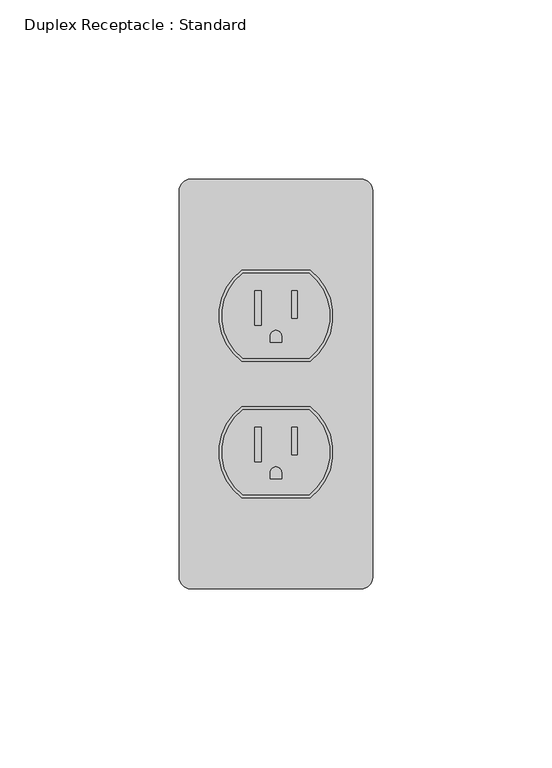
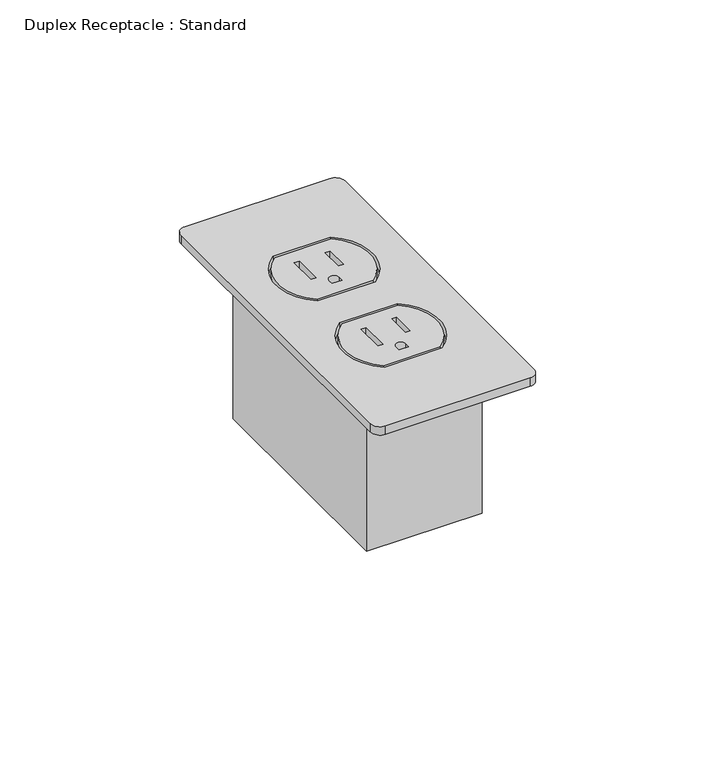
"""IFC4 building model written with IfcOpenShell, lengths in millimetres: proxy geometry, Duplex Receptacle : Standard."""

from ifc_helpers import new_model, si_unit, point, frame, frame_2d, origin, origin_with_axes, place, context, project, spatial, polyline, circle_curve, trimmed, segment, composite_curve, outline, extrude, source, transform, mapped, element, save


def duplex_receptacle_standard_c2ca504c(model_context):
    return source(origin(), model_context, "Body", "SweptSolid", [
        extrude(outline(polyline([(19.05, 38.1), (19.05, -38.1), (-19.05, -38.1), (-19.05, 38.1), (19.05, 38.1)])), frame((0.0, 0.0, -53.975), z_axis=(0.0, 0.0, 1.0), x_axis=(1.0, 0.0, 0.0)), (0.0, 0.0, 1.0), 53.975),
        extrude(outline(composite_curve([segment(trimmed(circle_curve(frame_2d((0.0, 19.05)), 15.08125), [point((9.2566361, 30.95625))], [point((9.2566361, 7.14375))], False, "CARTESIAN"), True, "CONTINUOUS"), segment(polyline([(9.2566361, 7.14375), (-9.2566361, 7.14375)]), True, "CONTINUOUS"), segment(trimmed(circle_curve(frame_2d((0.0, 19.05)), 15.08125), [point((-9.2566361, 7.14375))], [point((-9.2566361, 30.95625))], False, "CARTESIAN"), True, "CONTINUOUS"), segment(polyline([(-9.2566361, 30.95625), (9.2566361, 30.95625)]), True, "CONTINUOUS")], self_intersect=False), holes=[polyline([(-4.1419571, 25.9664222), (-5.8300041, 25.9664222), (-5.8300041, 16.4519754), (-4.1419571, 16.4519754), (-4.1419571, 25.9664222)]), polyline([(5.9095955, 25.9664222), (4.3750073, 25.9664222), (4.3750073, 18.2934812), (5.9095955, 18.2934812), (5.9095955, 25.9664222)]), composite_curve([segment(polyline([(1.5875, 11.698511), (1.5875, 13.3770264)]), True, "CONTINUOUS"), segment(trimmed(circle_curve(frame_2d((0.0, 13.3770264)), 1.5875), [point((1.5875, 13.3770264))], [point((-1.5875, 13.3770264))], True, "CARTESIAN"), True, "CONTINUOUS"), segment(polyline([(-1.5875, 13.3770264), (-1.5875, 11.698511), (1.5875, 11.698511)]), True, "CONTINUOUS")], self_intersect=False)]), origin_with_axes(), (0.0, 0.0, 1.0), 2.9176759),
        extrude(outline(composite_curve([segment(trimmed(circle_curve(frame_2d((0.0, -19.05)), 15.08125), [point((9.2566361, -7.14375))], [point((9.2566361, -30.95625))], False, "CARTESIAN"), True, "CONTINUOUS"), segment(polyline([(9.2566361, -30.95625), (-9.2566361, -30.95625)]), True, "CONTINUOUS"), segment(trimmed(circle_curve(frame_2d((0.0, -19.05)), 15.08125), [point((-9.2566361, -30.95625))], [point((-9.2566361, -7.14375))], False, "CARTESIAN"), True, "CONTINUOUS"), segment(polyline([(-9.2566361, -7.14375), (9.2566361, -7.14375)]), True, "CONTINUOUS")], self_intersect=False), holes=[polyline([(-4.1419571, -12.1335778), (-5.8300041, -12.1335778), (-5.8300041, -21.6480246), (-4.1419571, -21.6480246), (-4.1419571, -12.1335778)]), polyline([(5.9095955, -12.1335778), (4.3750073, -12.1335778), (4.3750073, -19.8065188), (5.9095955, -19.8065188), (5.9095955, -12.1335778)]), composite_curve([segment(polyline([(1.5875, -26.401489), (1.5875, -24.7229736)]), True, "CONTINUOUS"), segment(trimmed(circle_curve(frame_2d((0.0, -24.7229736)), 1.5875), [point((1.5875, -24.7229736))], [point((-1.5875, -24.7229736))], True, "CARTESIAN"), True, "CONTINUOUS"), segment(polyline([(-1.5875, -24.7229736), (-1.5875, -26.401489), (1.5875, -26.401489)]), True, "CONTINUOUS")], self_intersect=False)]), origin_with_axes(), (0.0, 0.0, 1.0), 2.9176759),
        extrude(outline(composite_curve([segment(trimmed(circle_curve(frame_2d((-23.8125, -53.975)), 3.175), [point((-23.8125, -57.15))], [point((-26.9875, -53.975))], False, "CARTESIAN"), True, "CONTINUOUS"), segment(polyline([(-26.9875, -53.975), (-26.9875, 53.975)]), True, "CONTINUOUS"), segment(trimmed(circle_curve(frame_2d((-23.8125, 53.975)), 3.175), [point((-26.9875, 53.975))], [point((-23.8125, 57.15))], False, "CARTESIAN"), True, "CONTINUOUS"), segment(polyline([(-23.8125, 57.15), (23.8125, 57.15)]), True, "CONTINUOUS"), segment(trimmed(circle_curve(frame_2d((23.8125, 53.975)), 3.175), [point((23.8125, 57.15))], [point((26.9875, 53.975))], False, "CARTESIAN"), True, "CONTINUOUS"), segment(polyline([(26.9875, 53.975), (26.9875, -53.975)]), True, "CONTINUOUS"), segment(trimmed(circle_curve(frame_2d((23.8125, -53.975)), 3.175), [point((26.9875, -53.975))], [point((23.8125, -57.15))], False, "CARTESIAN"), True, "CONTINUOUS"), segment(polyline([(23.8125, -57.15), (-23.8125, -57.15)]), True, "CONTINUOUS")], self_intersect=False), holes=[composite_curve([segment(polyline([(9.525, 31.75), (-9.525, 31.75)]), True, "CONTINUOUS"), segment(trimmed(circle_curve(frame_2d((0.0, 19.05)), 15.875), [point((-9.525, 31.75))], [point((-9.525, 6.35))], True, "CARTESIAN"), True, "CONTINUOUS"), segment(polyline([(-9.525, 6.35), (9.525, 6.35)]), True, "CONTINUOUS"), segment(trimmed(circle_curve(frame_2d((0.0, 19.05)), 15.875), [point((9.525, 6.35))], [point((9.525, 31.75))], True, "CARTESIAN"), True, "CONTINUOUS")], self_intersect=False), composite_curve([segment(polyline([(9.525, -6.35), (-9.525, -6.35)]), True, "CONTINUOUS"), segment(trimmed(circle_curve(frame_2d((0.0, -19.05)), 15.875), [point((-9.525, -6.35))], [point((-9.525, -31.75))], True, "CARTESIAN"), True, "CONTINUOUS"), segment(polyline([(-9.525, -31.75), (9.525, -31.75)]), True, "CONTINUOUS"), segment(trimmed(circle_curve(frame_2d((0.0, -19.05)), 15.875), [point((9.525, -31.75))], [point((9.525, -6.35))], True, "CARTESIAN"), True, "CONTINUOUS")], self_intersect=False)]), origin_with_axes(), (0.0, 0.0, 1.0), 2.9176759),
    ])


if __name__ == "__main__":
    model = new_model("IFC4")
    model_context = context("Model", 3, world=origin())
    ifc_project = project(units=[si_unit("LENGTHUNIT", "METRE", prefix="MILLI")], contexts=[model_context])
    site = spatial("IfcSite", under=ifc_project)
    building = spatial("IfcBuilding", under=site)
    placement = place(None, origin())
    duplex_receptacle_standard_shape = duplex_receptacle_standard_c2ca504c(model_context)
    element("IfcBuildingElementProxy", 1, Name="Duplex Receptacle : Standard", ObjectType="Duplex Receptacle : Standard", at=placement, inside=building, context=model_context, shape_type="MappedRepresentation", body=[
        mapped(duplex_receptacle_standard_shape, transform((0.0, 0.0, 0.0), x_axis=(1.0, 0.0, 0.0), y_axis=(0.0, 1.0, 0.0), z_axis=(0.0, 0.0, 1.0))),
    ])
    save(model, "model.ifc")
